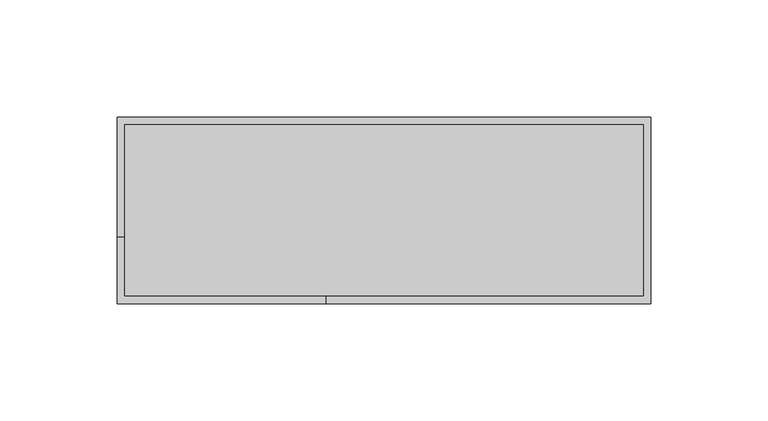
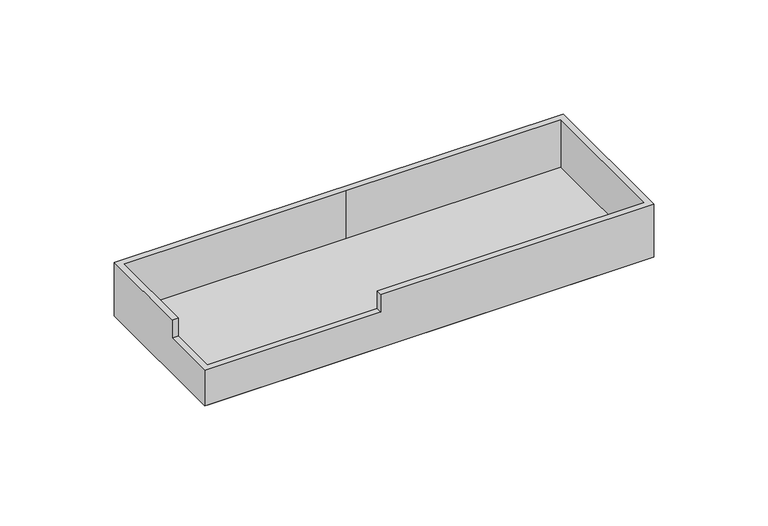
"""IFC4 building model written with IfcOpenShell, lengths in millimetres: furniture geometry."""

from ifc_helpers import new_model, si_unit, frame, origin, place, context, project, spatial, polyline, outline, extrude, faceted_brep, source, transform, mapped, element, save


def furniture_11ffdf5d(model_context):
    return source(origin(), model_context, "Body", "SolidModel", [
        extrude(outline(polyline([(223.3551674, -3.7973594), (223.3551674, -75.5777164), (3.9749535, -75.5777164), (3.9749535, -3.7973594), (223.3551674, -3.7973594)]), holes=[polyline([(5.6260155, -73.9266544), (221.7041054, -73.9266544), (221.7041054, -5.4482761), (5.6260155, -5.4482761), (5.6260155, -73.9266544)])]), frame((0.0, 0.0, 723.9), z_axis=(0.0, 0.0, 1.0), x_axis=(1.0, 0.0, 0.0)), (0.0, 0.0, 1.0), 3.0479971),
        faceted_brep([(0.0, 0.0, 755.523), (0.0, -50.8000137, 755.523), (3.0481312, -50.8000137, 755.523), (3.0481312, -3.0479618, 755.523), (115.4045411, -3.0479618, 755.523), (224.2817935, -3.0479618, 755.523), (224.2817935, -76.3270756, 755.523), (89.1000939, -76.3270756, 755.523), (89.1000939, -79.375, 755.523), (227.3299248, -79.375, 755.523), (227.3299248, 0.0, 755.523), (227.3299248, 0.0, 726.9479971), (0.0, 0.0, 726.9479971), (0.0, -79.375, 726.9479971), (0.0, -79.375, 745.998), (0.0, -50.8000137, 745.998), (3.0481312, -50.8000137, 745.998), (3.0481312, -76.327, 745.998), (3.0481312, -76.327, 729.9959942), (3.0481312, -3.0479618, 729.9959942), (115.4045411, -3.0479618, 729.9959942), (224.2817935, -3.0479618, 729.9959942), (224.2817935, -76.3270756, 729.9959942), (89.1000939, -76.3270756, 745.998), (89.1000939, -79.375, 745.998), (227.3299248, -79.375, 726.9479971)], [[[0, 1, 2, 3, 4, 5, 6, 7, 8, 9, 10]], [[11, 12, 0, 10]], [[1, 0, 12, 13, 14, 15]], [[2, 1, 15, 16]], [[3, 2, 16, 17, 18, 19]], [[4, 3, 19, 20]], [[5, 4, 20, 21]], [[6, 5, 21, 22]], [[7, 6, 22, 18, 17, 23]], [[8, 7, 23, 24]], [[9, 8, 24, 14, 13, 25]], [[10, 9, 25, 11]], [[19, 18, 22, 21, 20]], [[11, 25, 13, 12]], [[23, 17, 16, 15, 14, 24]]]),
    ])


if __name__ == "__main__":
    model = new_model("IFC4")
    model_context = context("Model", 3, world=origin())
    ifc_project = project(units=[si_unit("LENGTHUNIT", "METRE", prefix="MILLI")], contexts=[model_context])
    site = spatial("IfcSite", under=ifc_project)
    building = spatial("IfcBuilding", under=site)
    placement = place(None, origin())
    furniture_shape = furniture_11ffdf5d(model_context)
    element("IfcFurniture", 1, at=placement, inside=building, context=model_context, shape_type="MappedRepresentation", body=[
        mapped(furniture_shape, transform((0.0, 0.0, 0.0), x_axis=(1.0, 0.0, 0.0), y_axis=(0.0, 1.0, 0.0), z_axis=(0.0, 0.0, 1.0))),
    ])
    save(model, "model.ifc")
